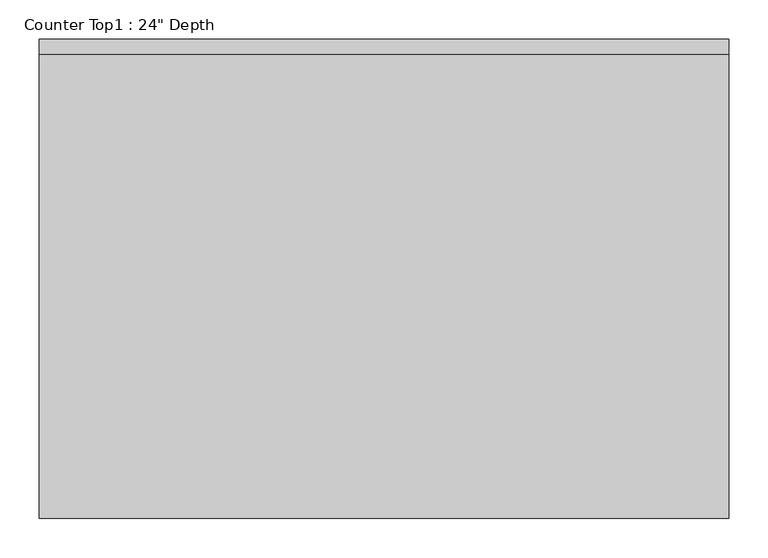
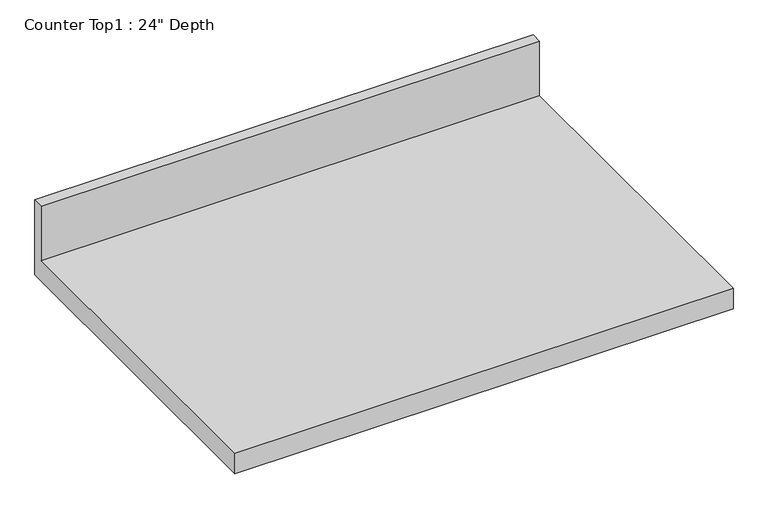
"""IFC4 building model written with IfcOpenShell, lengths in millimetres: furniture geometry."""

from ifc_helpers import new_model, si_unit, frame, origin, place, context, project, spatial, polyline, outline, extrude, source, transform, mapped, element, save


def furniture_0575011e(model_context):
    return source(origin(), model_context, "Body", "SweptSolid", [
        extrude(outline(polyline([(0.0, 1016.0), (0.0, 876.3), (-609.6, 876.3), (-609.6, 914.4), (-19.05, 914.4), (-19.05, 1016.0), (0.0, 1016.0)])), frame((-1200.4622951, 0.0, 0.0), z_axis=(1.0, 0.0, 0.0), x_axis=(0.0, 1.0, 0.0)), (0.0, 0.0, 1.0), 876.6294002),
    ])


if __name__ == "__main__":
    model = new_model("IFC4")
    model_context = context("Model", 3, world=origin())
    ifc_project = project(units=[si_unit("LENGTHUNIT", "METRE", prefix="MILLI")], contexts=[model_context])
    site = spatial("IfcSite", under=ifc_project)
    building = spatial("IfcBuilding", under=site)
    placement = place(None, origin())
    furniture_shape = furniture_0575011e(model_context)
    element("IfcFurniture", 1, ObjectType="Counter Top1 : 24\" Depth", at=placement, inside=building, context=model_context, shape_type="MappedRepresentation", body=[
        mapped(furniture_shape, transform((0.0, 0.0, 0.0), x_axis=(1.0, 0.0, 0.0), y_axis=(0.0, 1.0, 0.0), z_axis=(0.0, 0.0, 1.0))),
    ])
    save(model, "model.ifc")
